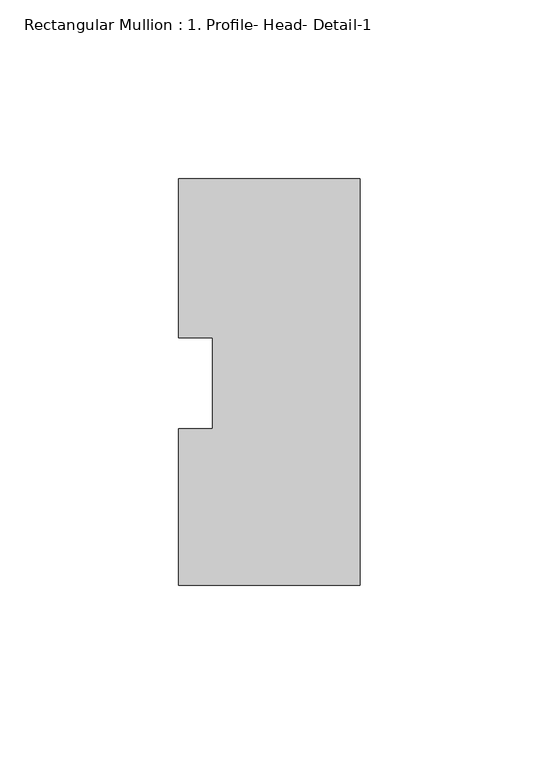
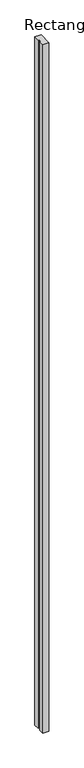
"""IFC4 building model written with IfcOpenShell, lengths in millimetres: member geometry, Rectangular Mullion : 1. Profile- Head- Detail-1."""

from ifc_helpers import new_model, si_unit, frame, origin, place, context, project, spatial, polyline, outline, extrude, source, transform, mapped, element, save


def rectangular_mullion_1_profile_head_detail_1_a5aad61e(model_context):
    return source(origin(), model_context, "Body", "SweptSolid", [
        extrude(outline(polyline([(0.0, -56.4681052), (-50.8, -56.4681052), (-50.8, -12.6827714), (-41.275, -12.6827714), (-41.275, 12.8118553), (-50.8, 12.8118553), (-50.8, 57.2618553), (0.0, 57.2618553), (0.0, -56.4681052)])), frame((0.0, 0.0, -6019.8), z_axis=(0.0, 0.0, 1.0), x_axis=(1.0, 0.0, 0.0)), (0.0, 0.0, 1.0), 6019.8),
    ])


if __name__ == "__main__":
    model = new_model("IFC4")
    model_context = context("Model", 3, world=origin())
    ifc_project = project(units=[si_unit("LENGTHUNIT", "METRE", prefix="MILLI")], contexts=[model_context])
    site = spatial("IfcSite", under=ifc_project)
    building = spatial("IfcBuilding", under=site)
    placement = place(None, origin())
    rectangular_mullion_1_profile_head_detail_1_shape = rectangular_mullion_1_profile_head_detail_1_a5aad61e(model_context)
    element("IfcMember", 1, ObjectType="Rectangular Mullion : 1. Profile- Head- Detail-1", at=placement, inside=building, context=model_context, shape_type="MappedRepresentation", body=[
        mapped(rectangular_mullion_1_profile_head_detail_1_shape, transform((0.0, 0.0, 0.0), x_axis=(1.0, 0.0, 0.0), y_axis=(0.0, 1.0, 0.0), z_axis=(0.0, 0.0, 1.0))),
    ])
    save(model, "model.ifc")
